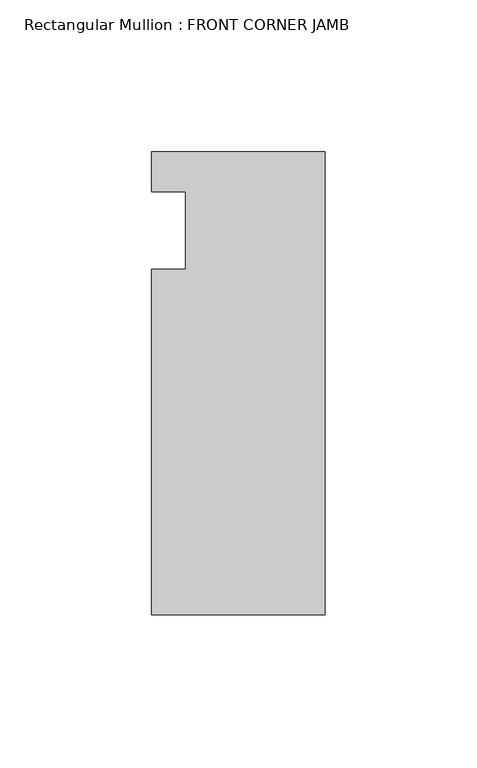
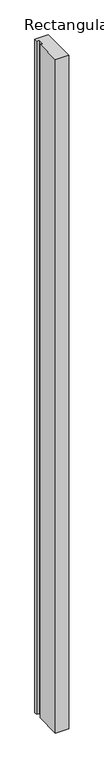
"""IFC4 building model written with IfcOpenShell, lengths in millimetres: member geometry, Rectangular Mullion : FRONT CORNER JAMB."""

import ifcopenshell
import ifcopenshell.guid

model = None  # the IFC model being written
_history = None  # IfcOwnerHistory: only IFC2X3 demands one
_inside = {}  # id of a spatial element -> (the spatial element, [elements in it])
_under = {}  # id of a project, library or spatial element -> (it, [spatial elements below it])
_declared = {}  # id of a project -> (the project, [libraries it declares])
_typed = {}  # id of a type object -> (the type object, [elements of that type])
_made_of = {}  # id of a material, layer set ... -> (it, [elements and type objects made of it])


def new_model(schema):
    """Start an empty IFC model of exactly this schema.

    Asked for "IFC4X3", IfcOpenShell would pick the latest addendum, in which some entities
    have other attributes; the version numbers below select the first issue.
    IFC2X3 requires an IfcOwnerHistory on every rooted entity: one is made here for all.
    """
    global model, _history
    if schema == "IFC4X3":
        model = ifcopenshell.file(schema_version=(4, 3, 0, 0))
    else:
        model = ifcopenshell.file(schema=schema)
    _inside.clear()
    _under.clear()
    _declared.clear()
    _typed.clear()
    _made_of.clear()
    _history = None
    if model.schema == "IFC2X3":
        org = make("IfcOrganization", Name="unknown")
        user = make(
            "IfcPersonAndOrganization",
            ThePerson=make("IfcPerson", FamilyName="unknown"),
            TheOrganization=org,
        )
        app = make(
            "IfcApplication",
            ApplicationDeveloper=org,
            Version="unknown",
            ApplicationFullName="unknown",
            ApplicationIdentifier="unknown",
        )
        _history = make(
            "IfcOwnerHistory",
            OwningUser=user,
            OwningApplication=app,
            ChangeAction="ADDED",
            CreationDate=0,
        )
    return model


def make(cls, **values):
    """One entity of the class cls with the attributes given. An attribute that is None is left unset."""
    return model.create_entity(
        cls, **{name: value for name, value in values.items() if value is not None}
    )


def rooted(cls, **values):
    """An entity with a GlobalId (a new one), such as an element, a storey or a relation."""
    return make(cls, GlobalId=ifcopenshell.guid.new(), OwnerHistory=_history, **values)


def si_unit(unit_type, name, prefix=None):
    """IfcSIUnit, for example si_unit("LENGTHUNIT", "METRE", prefix="MILLI")."""
    return make("IfcSIUnit", UnitType=unit_type, Prefix=prefix, Name=name)


def assignment(units):
    """IfcUnitAssignment: the units of a project."""
    return None if units is None else make("IfcUnitAssignment", Units=units)


def point(xyz):
    """IfcCartesianPoint."""
    return None if xyz is None else make("IfcCartesianPoint", Coordinates=xyz)


def direction(xyz):
    """IfcDirection."""
    return None if xyz is None else make("IfcDirection", DirectionRatios=xyz)


def frame(location, z_axis=None, x_axis=None):
    """IfcAxis2Placement3D, a coordinate frame: its origin and axes. An axis left out is left unset."""
    return make(
        "IfcAxis2Placement3D",
        Location=point(location),
        Axis=direction(z_axis),
        RefDirection=direction(x_axis),
    )


def origin():
    """The frame at (0, 0, 0) with its axes left unset."""
    return frame((0.0, 0.0, 0.0))


def place(relative_to, where):
    """IfcLocalPlacement: puts the frame where relative to a parent placement (None: the world)."""
    return make(
        "IfcLocalPlacement", PlacementRelTo=relative_to, RelativePlacement=where
    )


def context(
    kind, dimensions, precision=None, world=None, true_north=None, identifier=None
):
    """IfcGeometricRepresentationContext, for example the 3D "Model" context."""
    return make(
        "IfcGeometricRepresentationContext",
        ContextIdentifier=identifier,
        ContextType=kind,
        CoordinateSpaceDimension=dimensions,
        Precision=precision,
        WorldCoordinateSystem=world,
        TrueNorth=true_north,
    )


def project(units=None, contexts=None):
    """IfcProject with its units and contexts."""
    return rooted(
        "IfcProject",
        Name="project",
        RepresentationContexts=contexts,
        UnitsInContext=assignment(units),
    )


def spatial(cls, under=None, at=None, **own):
    """A site, building, storey or space (cls), placed at a placement, below another one or the project."""
    s = rooted(cls, ObjectPlacement=at, **own)
    if under is not None:
        _under.setdefault(under.id(), (under, []))[1].append(s)
    return s


def polyline(points):
    """IfcPolyline through the points."""
    return make("IfcPolyline", Points=[point(p) for p in points])


def outline(outer, holes=None, kind="AREA"):
    """IfcArbitraryClosedProfileDef: a profile drawn as a closed curve; with holes, ...WithVoids."""
    if holes is None:
        return make("IfcArbitraryClosedProfileDef", ProfileType=kind, OuterCurve=outer)
    return make(
        "IfcArbitraryProfileDefWithVoids",
        ProfileType=kind,
        OuterCurve=outer,
        InnerCurves=holes,
    )


def extrude(swept, where, along, depth):
    """IfcExtrudedAreaSolid: the profile swept, set in the frame where, extruded along a direction by depth."""
    return make(
        "IfcExtrudedAreaSolid",
        SweptArea=swept,
        Position=where,
        ExtrudedDirection=direction(along),
        Depth=depth,
    )


def shape(context_of_items, identifier, shape_type, items):
    """IfcShapeRepresentation: the items that make up one representation, for example the "Body"."""
    return make(
        "IfcShapeRepresentation",
        ContextOfItems=context_of_items,
        RepresentationIdentifier=identifier,
        RepresentationType=shape_type,
        Items=items,
    )


def source(mapping_origin, context_of_items, identifier, shape_type, items):
    """IfcRepresentationMap: a shape defined once, which mapped items show again and again."""
    return make(
        "IfcRepresentationMap",
        MappingOrigin=mapping_origin,
        MappedRepresentation=shape(context_of_items, identifier, shape_type, items),
    )


def transform(
    local_origin,
    x_axis=None,
    y_axis=None,
    z_axis=None,
    scale=None,
    scale2=None,
    scale3=None,
    uniform=True,
):
    """IfcCartesianTransformationOperator3D, or its non-uniform kind. x_axis, y_axis, z_axis: its Axis1, 2, 3."""
    if uniform:
        return make(
            "IfcCartesianTransformationOperator3D",
            Axis1=direction(x_axis),
            Axis2=direction(y_axis),
            LocalOrigin=point(local_origin),
            Scale=scale,
            Axis3=direction(z_axis),
        )
    return make(
        "IfcCartesianTransformationOperator3DnonUniform",
        Axis1=direction(x_axis),
        Axis2=direction(y_axis),
        LocalOrigin=point(local_origin),
        Scale=scale,
        Axis3=direction(z_axis),
        Scale2=scale2,
        Scale3=scale3,
    )


def mapped(mapping_source, mapping_target):
    """IfcMappedItem: shows the shape of a source again, moved by a transform."""
    return make(
        "IfcMappedItem", MappingSource=mapping_source, MappingTarget=mapping_target
    )


def made_of(thing, what):
    """Note that an element or type object is made of a material, layer set ...; save() writes the relation."""
    if what is not None:
        _made_of.setdefault(what.id(), (what, []))[1].append(thing)
    return thing


def element(
    cls,
    number,
    at=None,
    inside=None,
    cuts=None,
    type_object=None,
    material=None,
    context=None,
    identifier="Body",
    shape_type=None,
    held_by="IfcProductDefinitionShape",
    body=None,
    shapes=None,
    **own,
):
    """One element of the class cls, such as IfcWall. Its Tag is "e" and its number.

    at: its placement. inside: the storey or other place that contains it. cuts: it is an
    opening in that element (IfcRelVoidsElement). A single representation is given by context,
    identifier, shape_type and body (its items); several are given by shapes. held_by: the class
    of the entity that holds the representations. save() writes the other relations.
    """
    e = rooted(cls, Tag="e%d" % number, ObjectPlacement=at, **own)
    if body is not None:
        shapes = [shape(context, identifier, shape_type, body)]
    if shapes is not None:
        e.Representation = make(held_by, Representations=shapes)
    if inside is not None:
        _inside.setdefault(inside.id(), (inside, []))[1].append(e)
    if cuts is not None:
        rooted(
            "IfcRelVoidsElement", RelatingBuildingElement=cuts, RelatedOpeningElement=e
        )
    if type_object is not None:
        _typed.setdefault(type_object.id(), (type_object, []))[1].append(e)
    return made_of(e, material)


def aggregate(whole, parts):
    """IfcRelAggregates: a whole, such as a stair, and the parts it consists of."""
    return rooted("IfcRelAggregates", RelatingObject=whole, RelatedObjects=parts)


def save(model, path):
    """Write the relations noted so far, then the file.

    IfcRelAggregates (storeys below a building ...), IfcRelContainedInSpatialStructure (elements
    in a storey), IfcRelDefinesByType, IfcRelAssociatesMaterial and IfcRelDeclares: one each for
    every whole, place, type object, material and project.
    """
    for whole, parts in _under.values():
        aggregate(whole, parts)
    for where, things in _inside.values():
        rooted(
            "IfcRelContainedInSpatialStructure",
            RelatedElements=things,
            RelatingStructure=where,
        )
    for kind, things in _typed.values():
        rooted("IfcRelDefinesByType", RelatedObjects=things, RelatingType=kind)
    for what, things in _made_of.values():
        rooted("IfcRelAssociatesMaterial", RelatedObjects=things, RelatingMaterial=what)
    for by, libraries in _declared.values():
        rooted("IfcRelDeclares", RelatingContext=by, RelatedDefinitions=libraries)
    model.write(path)


def rectangular_mullion_front_corner_jamb_e4e5f40d(model_context):
    return source(origin(), model_context, "Body", "SweptSolid", [
        extrude(outline(polyline([(-57.15, 13.3945312), (0.0, 13.3945312), (0.0, -139.0054688), (-57.15, -139.0054688), (-57.15, -25.2007688), (-46.0375, -25.2007688), (-46.0375, 0.1992312), (-57.15, 0.1992312), (-57.15, 13.3945312)])), frame((0.0, 0.0, -3048.0), z_axis=(0.0, 0.0, 1.0), x_axis=(1.0, 0.0, 0.0)), (0.0, 0.0, 1.0), 3048.0),
    ])


if __name__ == "__main__":
    model = new_model("IFC4")
    model_context = context("Model", 3, world=origin())
    ifc_project = project(units=[si_unit("LENGTHUNIT", "METRE", prefix="MILLI")], contexts=[model_context])
    site = spatial("IfcSite", under=ifc_project)
    building = spatial("IfcBuilding", under=site)
    placement = place(None, origin())
    rectangular_mullion_front_corner_jamb_shape = rectangular_mullion_front_corner_jamb_e4e5f40d(model_context)
    element("IfcMember", 1, ObjectType="Rectangular Mullion : FRONT CORNER JAMB", at=placement, inside=building, context=model_context, shape_type="MappedRepresentation", body=[
        mapped(rectangular_mullion_front_corner_jamb_shape, transform((0.0, 0.0, 0.0), x_axis=(1.0, 0.0, 0.0), y_axis=(0.0, 1.0, 0.0), z_axis=(0.0, 0.0, 1.0))),
    ])
    save(model, "model.ifc")
